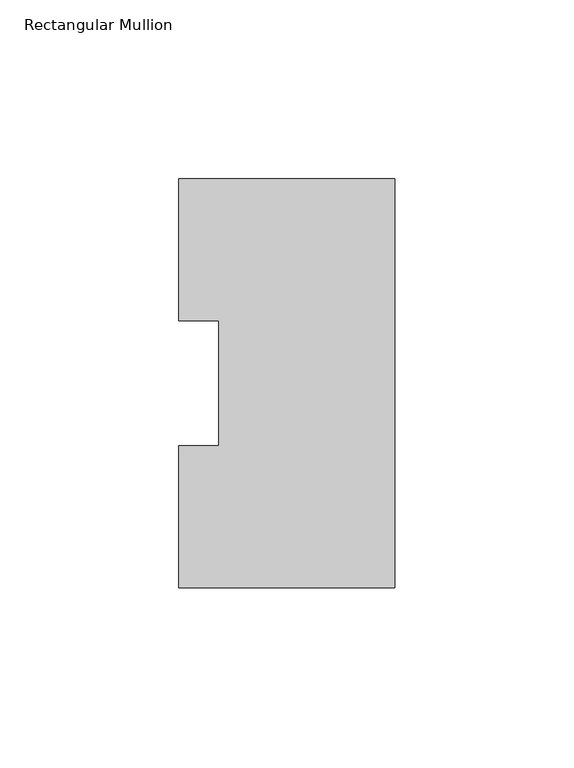
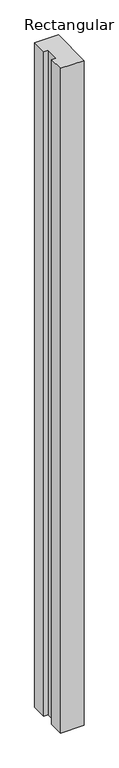
"""IFC4 building model written with IfcOpenShell, lengths in millimetres: member geometry, Rectangular Mullion."""

from ifc_helpers import new_model, si_unit, frame, origin, place, context, project, spatial, polyline, outline, extrude, source, transform, mapped, element, save


def rectangular_mullion_13bc24bd(model_context):
    return source(origin(), model_context, "Body", "SweptSolid", [
        extrude(outline(polyline([(-60.325, -0.03175), (-60.325, 39.64305), (-49.2125, 39.64305), (-49.2125, 74.59345), (-60.325, 74.59345), (-60.325, 114.26825), (0.0, 114.26825), (0.0, -0.03175), (-60.325, -0.03175)])), frame((0.0, 0.0, -1790.7), z_axis=(0.0, 0.0, 1.0), x_axis=(1.0, 0.0, 0.0)), (0.0, 0.0, 1.0), 1790.7),
    ])


if __name__ == "__main__":
    model = new_model("IFC4")
    model_context = context("Model", 3, world=origin())
    ifc_project = project(units=[si_unit("LENGTHUNIT", "METRE", prefix="MILLI")], contexts=[model_context])
    site = spatial("IfcSite", under=ifc_project)
    building = spatial("IfcBuilding", under=site)
    placement = place(None, origin())
    rectangular_mullion_shape = rectangular_mullion_13bc24bd(model_context)
    element("IfcMember", 1, ObjectType="Rectangular Mullion", at=placement, inside=building, context=model_context, shape_type="MappedRepresentation", body=[
        mapped(rectangular_mullion_shape, transform((0.0, 0.0, 0.0), x_axis=(1.0, 0.0, 0.0), y_axis=(0.0, 1.0, 0.0), z_axis=(0.0, 0.0, 1.0))),
    ])
    save(model, "model.ifc")
